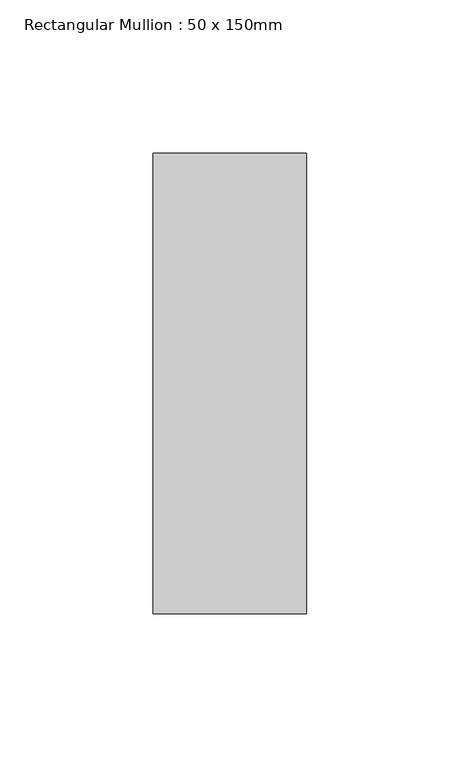
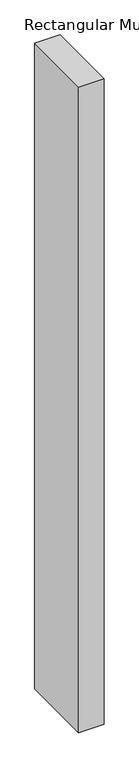
"""IFC4 building model written with IfcOpenShell, lengths in millimetres: member geometry, Rectangular Mullion : 50 x 150mm."""

from ifc_helpers import new_model, si_unit, frame, origin, place, context, project, spatial, polyline, outline, extrude, source, transform, mapped, element, save


def rectangular_mullion_50_x_150mm_8ef6c930(model_context):
    return source(origin(), model_context, "Body", "SweptSolid", [
        extrude(outline(polyline([(25.0, 75.0), (25.0, -75.0), (-25.0, -75.0), (-25.0, 75.0), (25.0, 75.0)])), frame((0.0, 0.0, -1342.0503543), z_axis=(0.0, 0.0, 1.0), x_axis=(1.0, 0.0, 0.0)), (0.0, 0.0, 1.0), 1342.0503543),
    ])


if __name__ == "__main__":
    model = new_model("IFC4")
    model_context = context("Model", 3, world=origin())
    ifc_project = project(units=[si_unit("LENGTHUNIT", "METRE", prefix="MILLI")], contexts=[model_context])
    site = spatial("IfcSite", under=ifc_project)
    building = spatial("IfcBuilding", under=site)
    placement = place(None, origin())
    rectangular_mullion_50_x_150mm_shape = rectangular_mullion_50_x_150mm_8ef6c930(model_context)
    element("IfcMember", 1, ObjectType="Rectangular Mullion : 50 x 150mm", at=placement, inside=building, context=model_context, shape_type="MappedRepresentation", body=[
        mapped(rectangular_mullion_50_x_150mm_shape, transform((0.0, 0.0, 0.0), x_axis=(1.0, 0.0, 0.0), y_axis=(0.0, 1.0, 0.0), z_axis=(0.0, 0.0, 1.0))),
    ])
    save(model, "model.ifc")
